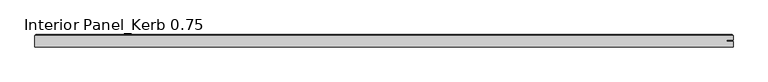
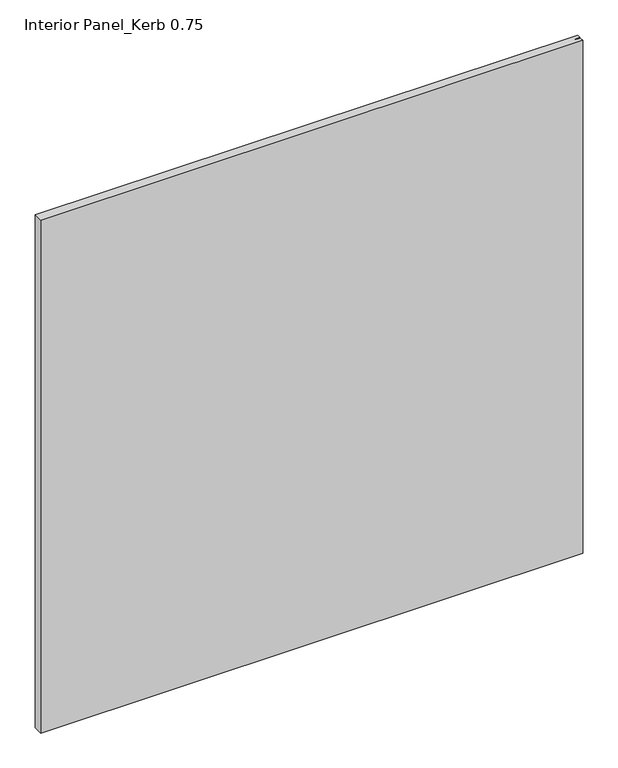
"""IFC4 building model written with IfcOpenShell, lengths in millimetres: proxy geometry, Interior Panel_Kerb 0.75."""

from ifc_helpers import new_model, si_unit, origin, place, context, project, spatial, faceted_brep, source, transform, mapped, element, save


def interior_panel_kerb_0_75_fbe9e5a7(model_context):
    return source(origin(), model_context, "Body", "Brep", [
        faceted_brep([(990.6, -3.175, 1063.625), (990.6, 5.2832, 1063.625), (980.7773437, 5.2832, 1063.625), (980.7773437, 7.4168, 1063.625), (990.6, 7.4168, 1063.625), (990.6, 14.2875, 1063.625), (-73.025, 14.2875, 1063.625), (-73.025, -3.175, 1063.625), (990.6, -3.175, 0.0), (-73.025, -3.175, 0.0), (-73.025, 14.2875, 0.0), (990.6, 14.2875, 0.0), (990.6, 7.4168, 0.0), (980.7773437, 7.4168, 0.0), (980.7773437, 5.2832, 0.0), (990.6, 5.2832, 0.0), (-71.4375, 15.875, 1062.0375), (989.0125, 15.875, 1062.0375), (989.0125, 15.875, 1.5875), (-71.4375, 15.875, 1.5875)], [[[0, 1, 2, 3, 4, 5, 6, 7]], [[8, 9, 10, 11, 12, 13, 14, 15]], [[7, 9, 8, 0]], [[6, 10, 9, 7]], [[16, 17, 18, 19]], [[4, 12, 11, 5]], [[6, 16, 19, 10]], [[11, 18, 17, 5]], [[5, 17, 16, 6]], [[10, 19, 18, 11]], [[3, 13, 12, 4]], [[2, 14, 13, 3]], [[1, 15, 14, 2]], [[0, 8, 15, 1]]]),
    ])


if __name__ == "__main__":
    model = new_model("IFC4")
    model_context = context("Model", 3, world=origin())
    ifc_project = project(units=[si_unit("LENGTHUNIT", "METRE", prefix="MILLI")], contexts=[model_context])
    site = spatial("IfcSite", under=ifc_project)
    building = spatial("IfcBuilding", under=site)
    placement = place(None, origin())
    interior_panel_kerb_0_75_shape = interior_panel_kerb_0_75_fbe9e5a7(model_context)
    element("IfcBuildingElementProxy", 1, Name="Interior Panel_Kerb 0.75", ObjectType="Interior Panel_Kerb 0.75", at=placement, inside=building, context=model_context, shape_type="MappedRepresentation", body=[
        mapped(interior_panel_kerb_0_75_shape, transform((0.0, 0.0, 0.0), x_axis=(1.0, 0.0, 0.0), y_axis=(0.0, 1.0, 0.0), z_axis=(0.0, 0.0, 1.0))),
    ])
    save(model, "model.ifc")
